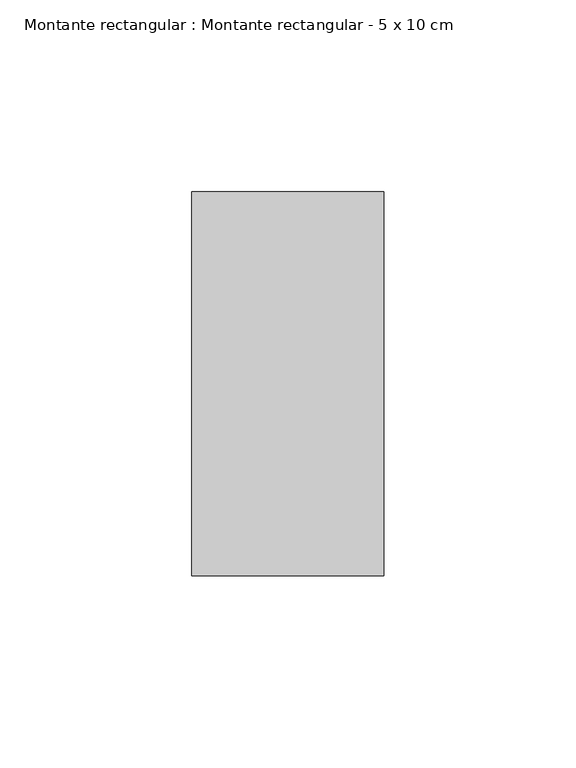
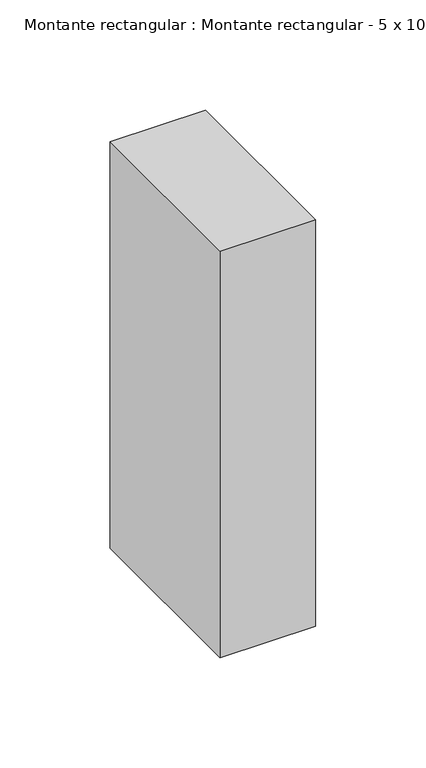
"""IFC4 building model written with IfcOpenShell, lengths in millimetres: member geometry, Montante rectangular : Montante rectangular - 5 x 10 cm."""

from ifc_helpers import new_model, si_unit, frame, origin, place, context, project, spatial, polyline, outline, extrude, source, transform, mapped, element, save


def montante_rectangular_montante_rectangular_5_x_10_cm_137ee5c1(model_context):
    return source(origin(), model_context, "Body", "SweptSolid", [
        extrude(outline(polyline([(0.0, 50.0), (0.0, -50.0), (-50.0, -50.0), (-50.0, 50.0), (0.0, 50.0)])), frame((0.0, 0.0, -225.0), z_axis=(0.0, 0.0, 1.0), x_axis=(1.0, 0.0, 0.0)), (0.0, 0.0, 1.0), 225.0),
    ])


if __name__ == "__main__":
    model = new_model("IFC4")
    model_context = context("Model", 3, world=origin())
    ifc_project = project(units=[si_unit("LENGTHUNIT", "METRE", prefix="MILLI")], contexts=[model_context])
    site = spatial("IfcSite", under=ifc_project)
    building = spatial("IfcBuilding", under=site)
    placement = place(None, origin())
    montante_rectangular_montante_rectangular_5_x_10_cm_shape = montante_rectangular_montante_rectangular_5_x_10_cm_137ee5c1(model_context)
    element("IfcMember", 1, ObjectType="Montante rectangular : Montante rectangular - 5 x 10 cm", at=placement, inside=building, context=model_context, shape_type="MappedRepresentation", body=[
        mapped(montante_rectangular_montante_rectangular_5_x_10_cm_shape, transform((0.0, 0.0, 0.0), x_axis=(1.0, 0.0, 0.0), y_axis=(0.0, 1.0, 0.0), z_axis=(0.0, 0.0, 1.0))),
    ])
    save(model, "model.ifc")
